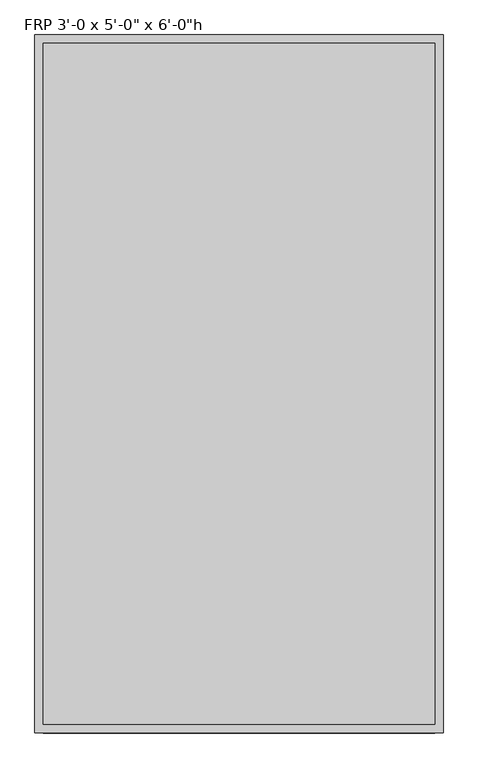
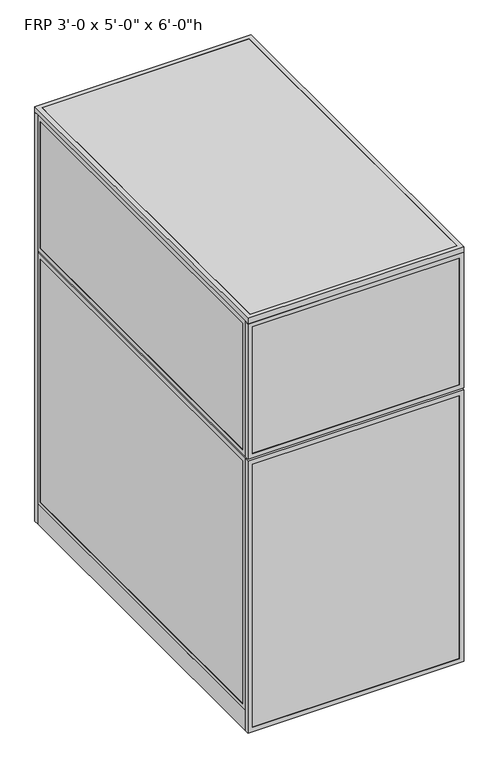
"""IFC4 building model written with IfcOpenShell, lengths in millimetres: proxy geometry."""

from ifc_helpers import new_model, si_unit, frame, origin, origin_with_axes, place, context, project, spatial, polyline, outline, extrude, source, transform, mapped, element, save


def proxy_78b49c9f(model_context):
    return source(origin(), model_context, "Body", "SweptSolid", [
        extrude(outline(polyline([(0.0, 0.0), (0.0, 914.4), (1828.8, 914.4), (1828.8, 0.0), (0.0, 0.0)]), holes=[polyline([(857.25, 895.35), (857.25, 19.05), (1809.75, 19.05), (1809.75, 895.35), (857.25, 895.35)]), polyline([(819.15, 19.05), (819.15, 895.35), (19.05, 895.35), (19.05, 19.05), (819.15, 19.05)])]), frame((0.0, 1524.0, 0.0), z_axis=(0.0, 1.0, 0.0), x_axis=(0.0, 0.0, 1.0)), (0.0, 0.0, 1.0), 19.05),
        extrude(outline(polyline([(60.3189838, 1541.4625), (854.0810162, 1541.4625), (854.0810162, 1525.5875), (60.3189838, 1525.5875), (60.3189838, 1541.4625)])), frame((0.0, 0.0, 60.325), z_axis=(0.0, 0.0, 1.0), x_axis=(1.0, 0.0, 0.0)), (0.0, 0.0, 1.0), 717.55),
        extrude(outline(polyline([(879.475, 41.2689838), (879.475, 873.1310162), (1787.525, 873.1310162), (1787.525, 41.2689838), (879.475, 41.2689838)]), holes=[polyline([(1768.475, 854.0810162), (898.525, 854.0810162), (898.525, 60.3189838), (1768.475, 60.3189838), (1768.475, 854.0810162)])]), frame((0.0, 1524.0, 0.0), z_axis=(0.0, 1.0, 0.0), x_axis=(0.0, 0.0, 1.0)), (0.0, 0.0, 1.0), 19.05),
        extrude(outline(polyline([(41.275, 41.2689838), (41.275, 873.1310162), (796.925, 873.1310162), (796.925, 41.2689838), (41.275, 41.2689838)]), holes=[polyline([(777.875, 854.0810162), (60.325, 854.0810162), (60.325, 60.3189838), (777.875, 60.3189838), (777.875, 854.0810162)])]), frame((0.0, 1524.0, 0.0), z_axis=(0.0, 1.0, 0.0), x_axis=(0.0, 0.0, 1.0)), (0.0, 0.0, 1.0), 19.05),
        extrude(outline(polyline([(60.3189838, 1541.4625), (854.0810162, 1541.4625), (854.0810162, 1525.5875), (60.3189838, 1525.5875), (60.3189838, 1541.4625)])), frame((0.0, 0.0, 898.525), z_axis=(0.0, 0.0, 1.0), x_axis=(1.0, 0.0, 0.0)), (0.0, 0.0, 1.0), 869.95),
        extrude(outline(polyline([(1214.4375, 914.4), (1214.4375, 0.0), (0.0, 0.0), (0.0, 914.4), (1214.4375, 914.4)]), holes=[polyline([(19.05, 895.35), (19.05, 19.05), (1195.3875, 19.05), (1195.3875, 895.35), (19.05, 895.35)])]), frame((0.0, -19.05, 0.0), z_axis=(0.0, 1.0, 0.0), x_axis=(0.0, 0.0, 1.0)), (0.0, 0.0, 1.0), 19.05),
        extrude(outline(polyline([(1223.9625, 914.4), (1828.8, 914.4), (1828.8, 0.0), (1223.9625, 0.0), (1223.9625, 914.4)]), holes=[polyline([(1809.75, 895.35), (1243.0125, 895.35), (1243.0125, 19.05), (1809.75, 19.05), (1809.75, 895.35)])]), frame((0.0, -19.05, 0.0), z_axis=(0.0, 1.0, 0.0), x_axis=(0.0, 0.0, 1.0)), (0.0, 0.0, 1.0), 19.05),
        extrude(outline(polyline([(895.35, -17.4625), (19.05, -17.4625), (19.05, -1.5875), (895.35, -1.5875), (895.35, -17.4625)])), frame((0.0, 0.0, 19.05), z_axis=(0.0, 0.0, 1.0), x_axis=(1.0, 0.0, 0.0)), (0.0, 0.0, 1.0), 1176.3375),
        extrude(outline(polyline([(895.35, -17.4625), (19.05, -17.4625), (19.05, -1.5875), (895.35, -1.5875), (895.35, -17.4625)])), frame((0.0, 0.0, 1243.0125), z_axis=(0.0, 0.0, 1.0), x_axis=(1.0, 0.0, 0.0)), (0.0, 0.0, 1.0), 566.7375),
        extrude(outline(polyline([(895.35, 0.0), (895.35, 1524.0), (914.4, 1524.0), (914.4, 0.0), (895.35, 0.0)])), origin_with_axes(), (0.0, 0.0, 1.0), 88.9),
        extrude(outline(polyline([(1524.0, 88.9), (0.0, 88.9), (0.0, 1214.4375), (1524.0, 1214.4375), (1524.0, 88.9)]), holes=[polyline([(1504.95, 1195.3875), (19.05, 1195.3875), (19.05, 107.95), (1504.95, 107.95), (1504.95, 1195.3875)])]), frame((895.35, 0.0, 0.0), z_axis=(1.0, 0.0, 0.0), x_axis=(0.0, 1.0, 0.0)), (0.0, 0.0, 1.0), 19.05),
        extrude(outline(polyline([(0.0, 1223.9625), (0.0, 1828.8), (1524.0, 1828.8), (1524.0, 1223.9625), (0.0, 1223.9625)]), holes=[polyline([(19.05, 1809.75), (19.05, 1243.0125), (1504.95, 1243.0125), (1504.95, 1809.75), (19.05, 1809.75)])]), frame((895.35, 0.0, 0.0), z_axis=(1.0, 0.0, 0.0), x_axis=(0.0, 1.0, 0.0)), (0.0, 0.0, 1.0), 19.05),
        extrude(outline(polyline([(896.9375, 19.05), (896.9375, 1504.95), (912.8125, 1504.95), (912.8125, 19.05), (896.9375, 19.05)])), frame((0.0, 0.0, 107.95), z_axis=(0.0, 0.0, 1.0), x_axis=(1.0, 0.0, 0.0)), (0.0, 0.0, 1.0), 1087.4375),
        extrude(outline(polyline([(896.9375, 19.05), (896.9375, 1504.95), (912.8125, 1504.95), (912.8125, 19.05), (896.9375, 19.05)])), frame((0.0, 0.0, 1243.0125), z_axis=(0.0, 0.0, 1.0), x_axis=(1.0, 0.0, 0.0)), (0.0, 0.0, 1.0), 566.7375),
        extrude(outline(polyline([(0.0, 0.0), (0.0, 1524.0), (19.05, 1524.0), (19.05, 0.0), (0.0, 0.0)])), origin_with_axes(), (0.0, 0.0, 1.0), 88.9),
        extrude(outline(polyline([(1524.0, 88.9), (0.0, 88.9), (0.0, 1214.4375), (1524.0, 1214.4375), (1524.0, 88.9)]), holes=[polyline([(1504.95, 1195.3875), (19.05, 1195.3875), (19.05, 107.95), (1504.95, 107.95), (1504.95, 1195.3875)])]), frame((0.0, 0.0, 0.0), z_axis=(1.0, 0.0, 0.0), x_axis=(0.0, 1.0, 0.0)), (0.0, 0.0, 1.0), 19.05),
        extrude(outline(polyline([(0.0, 1223.9625), (0.0, 1828.8), (1524.0, 1828.8), (1524.0, 1223.9625), (0.0, 1223.9625)]), holes=[polyline([(19.05, 1809.75), (19.05, 1243.0125), (1504.95, 1243.0125), (1504.95, 1809.75), (19.05, 1809.75)])]), frame((0.0, 0.0, 0.0), z_axis=(1.0, 0.0, 0.0), x_axis=(0.0, 1.0, 0.0)), (0.0, 0.0, 1.0), 19.05),
        extrude(outline(polyline([(1.5875, 19.05), (1.5875, 1504.95), (17.4625, 1504.95), (17.4625, 19.05), (1.5875, 19.05)])), frame((0.0, 0.0, 107.95), z_axis=(0.0, 0.0, 1.0), x_axis=(1.0, 0.0, 0.0)), (0.0, 0.0, 1.0), 1087.4375),
        extrude(outline(polyline([(1.5875, 19.05), (1.5875, 1504.95), (17.4625, 1504.95), (17.4625, 19.05), (1.5875, 19.05)])), frame((0.0, 0.0, 1243.0125), z_axis=(0.0, 0.0, 1.0), x_axis=(1.0, 0.0, 0.0)), (0.0, 0.0, 1.0), 566.7375),
        extrude(outline(polyline([(882.65, 622.3), (882.65, 609.6), (31.75, 609.6), (31.75, 622.3), (882.65, 622.3)])), origin_with_axes(), (0.0, 0.0, 1.0), 152.4),
        extrude(outline(polyline([(882.65, 622.3), (882.65, 12.7), (31.75, 12.7), (31.75, 622.3), (882.65, 622.3)])), frame((0.0, 0.0, 152.4), z_axis=(0.0, 0.0, 1.0), x_axis=(1.0, 0.0, 0.0)), (0.0, 0.0, 1.0), 12.7),
        extrude(outline(polyline([(914.4, 1543.05), (914.4, -19.05), (0.0, -19.05), (0.0, 1543.05), (914.4, 1543.05)]), holes=[polyline([(19.05, 0.0), (895.35, 0.0), (895.35, 1524.0), (19.05, 1524.0), (19.05, 0.0)])]), frame((0.0, 0.0, 1828.8), z_axis=(0.0, 0.0, 1.0), x_axis=(1.0, 0.0, 0.0)), (0.0, 0.0, 1.0), 25.4),
        extrude(outline(polyline([(19.05, 1524.0), (895.35, 1524.0), (895.35, 0.0), (19.05, 0.0), (19.05, 1524.0)])), frame((0.0, 0.0, 1828.8), z_axis=(0.0, 0.0, 1.0), x_axis=(1.0, 0.0, 0.0)), (0.0, 0.0, 1.0), 25.4),
    ])


if __name__ == "__main__":
    model = new_model("IFC4")
    model_context = context("Model", 3, world=origin())
    ifc_project = project(units=[si_unit("LENGTHUNIT", "METRE", prefix="MILLI")], contexts=[model_context])
    site = spatial("IfcSite", under=ifc_project)
    building = spatial("IfcBuilding", under=site)
    placement = place(None, origin())
    proxy_shape = proxy_78b49c9f(model_context)
    element("IfcBuildingElementProxy", 1, Name="FRP 3'-0 x 5'-0\" x 6'-0\"h", ObjectType="FRP 3'-0 x 5'-0\" x 6'-0\"h", at=placement, inside=building, context=model_context, shape_type="MappedRepresentation", body=[
        mapped(proxy_shape, transform((0.0, 0.0, 0.0), x_axis=(1.0, 0.0, 0.0), y_axis=(0.0, 1.0, 0.0), z_axis=(0.0, 0.0, 1.0))),
    ])
    save(model, "model.ifc")
